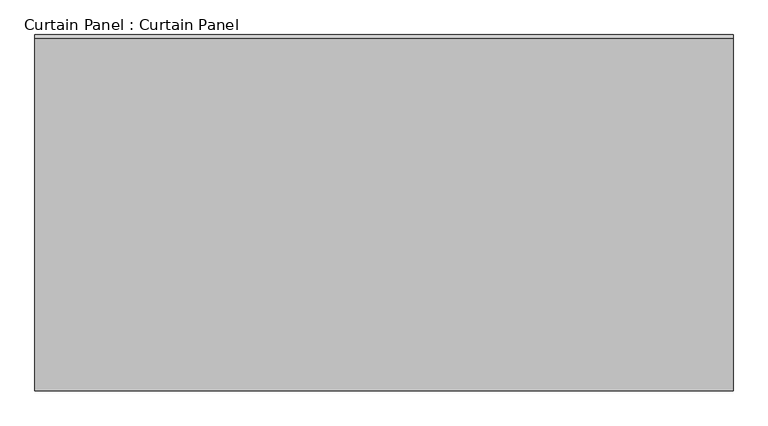
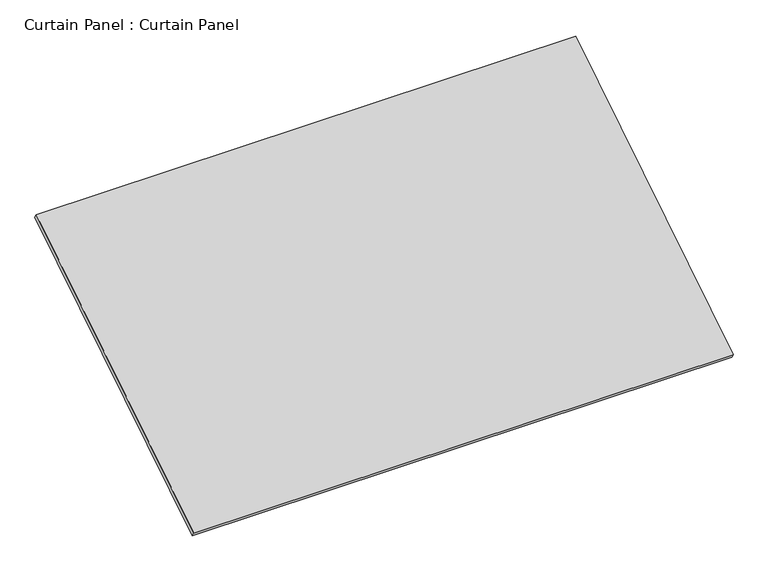
"""IFC4 building model written with IfcOpenShell, lengths in millimetres: plate geometry, Curtain Panel : Curtain Panel."""

from ifc_helpers import new_model, si_unit, frame, origin, place, context, project, spatial, polyline, outline, extrude, source, transform, mapped, element, save


def curtain_panel_curtain_panel_ddf4206b(model_context):
    return source(origin(), model_context, "Body", "SweptSolid", [
        extrude(outline(polyline([(-63.5, 0.0), (-63.5, -1782.4164482), (-3048.0, -1782.4164482), (-3048.0, 0.0), (-63.5, 0.0)])), frame((-126814.6430895, 3817.3599492, 12045.6104005), z_axis=(0.0, -0.5318918435658209, 0.8468122972348432), x_axis=(-1.0, 0.0, 0.0)), (0.0, 0.0, 1.0), 25.4),
    ])


if __name__ == "__main__":
    model = new_model("IFC4")
    model_context = context("Model", 3, world=origin())
    ifc_project = project(units=[si_unit("LENGTHUNIT", "METRE", prefix="MILLI")], contexts=[model_context])
    site = spatial("IfcSite", under=ifc_project)
    building = spatial("IfcBuilding", under=site)
    placement = place(None, origin())
    curtain_panel_curtain_panel_shape = curtain_panel_curtain_panel_ddf4206b(model_context)
    element("IfcPlate", 1, ObjectType="Curtain Panel : Curtain Panel", at=placement, inside=building, context=model_context, shape_type="MappedRepresentation", body=[
        mapped(curtain_panel_curtain_panel_shape, transform((0.0, 0.0, 0.0), x_axis=(1.0, 0.0, 0.0), y_axis=(0.0, 1.0, 0.0), z_axis=(0.0, 0.0, 1.0))),
    ])
    save(model, "model.ifc")
